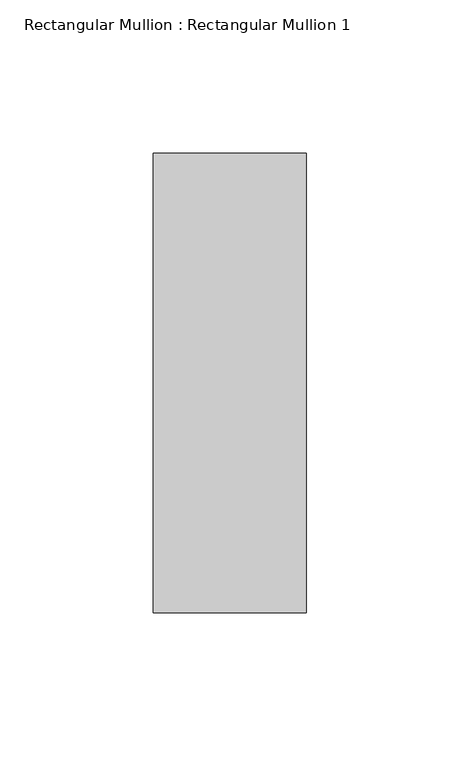
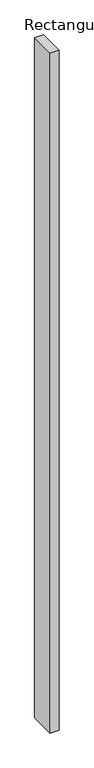
"""IFC4 building model written with IfcOpenShell, lengths in millimetres: member geometry, Rectangular Mullion : Rectangular Mullion 1."""

from ifc_helpers import new_model, si_unit, frame, origin, place, context, project, spatial, polyline, outline, extrude, source, transform, mapped, element, save


def rectangular_mullion_rectangular_mullion_1_0357f134(model_context):
    return source(origin(), model_context, "Body", "SweptSolid", [
        extrude(outline(polyline([(0.0, 75.0), (0.0, -75.0), (-50.0, -75.0), (-50.0, 75.0), (0.0, 75.0)])), frame((0.0, 0.0, -4000.0), z_axis=(0.0, 0.0, 1.0), x_axis=(1.0, 0.0, 0.0)), (0.0, 0.0, 1.0), 4000.0),
    ])


if __name__ == "__main__":
    model = new_model("IFC4")
    model_context = context("Model", 3, world=origin())
    ifc_project = project(units=[si_unit("LENGTHUNIT", "METRE", prefix="MILLI")], contexts=[model_context])
    site = spatial("IfcSite", under=ifc_project)
    building = spatial("IfcBuilding", under=site)
    placement = place(None, origin())
    rectangular_mullion_rectangular_mullion_1_shape = rectangular_mullion_rectangular_mullion_1_0357f134(model_context)
    element("IfcMember", 1, ObjectType="Rectangular Mullion : Rectangular Mullion 1", at=placement, inside=building, context=model_context, shape_type="MappedRepresentation", body=[
        mapped(rectangular_mullion_rectangular_mullion_1_shape, transform((0.0, 0.0, 0.0), x_axis=(1.0, 0.0, 0.0), y_axis=(0.0, 1.0, 0.0), z_axis=(0.0, 0.0, 1.0))),
    ])
    save(model, "model.ifc")
